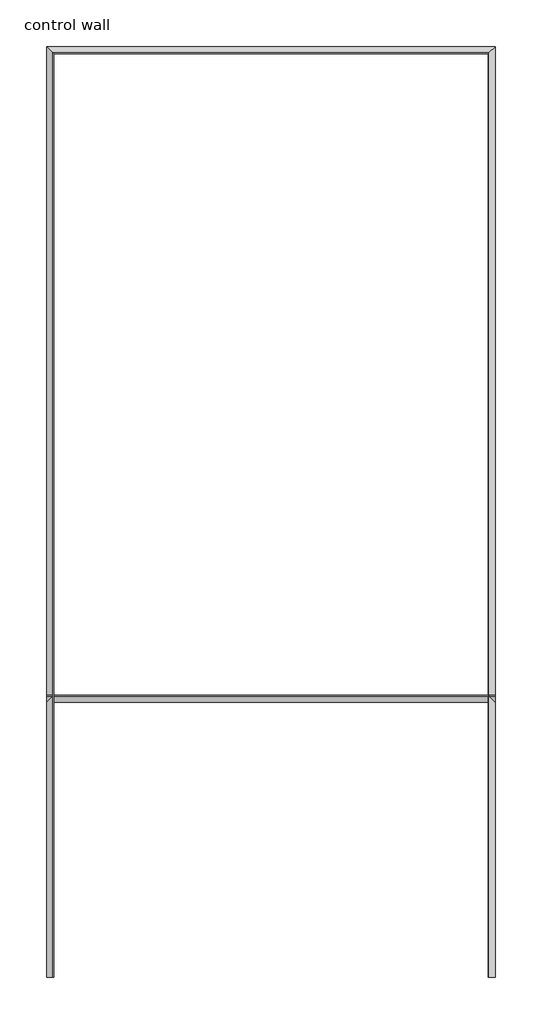
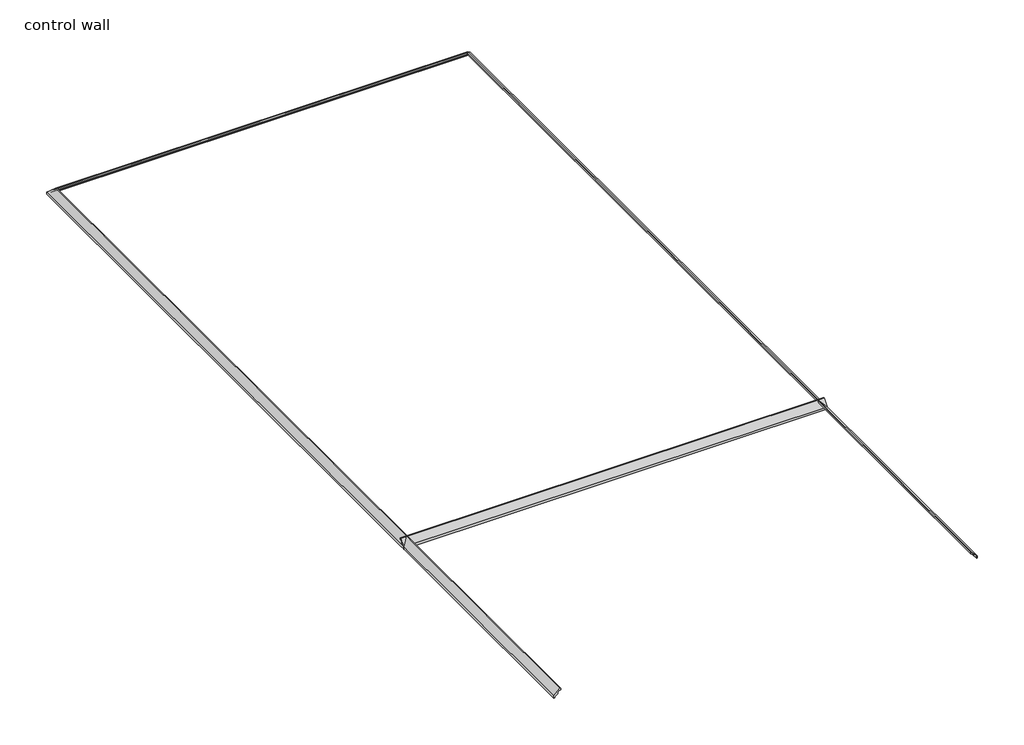
# One storey: 4 proxies.
"""IFC4 building model written with IfcOpenShell, lengths in millimetres."""

from ifc_helpers import new_model, si_unit, point, frame, frame_2d, origin, place, context, project, spatial, polyline, circle_curve, ellipse_curve, trimmed, segment, composite_curve, outline, extrude, element, save
from ifc_brep_helpers import plane_surface, cylinder_surface, revolved_surface, advanced_brep

model = new_model("IFC4")

# Units and contexts
model_context = context("Model", 3, world=origin())
ifc_project = project(units=[si_unit("LENGTHUNIT", "METRE", prefix="MILLI")], contexts=[model_context])

# Site, building, storey
site = spatial("IfcSite", under=ifc_project)
building = spatial("IfcBuilding", under=site)
storey = spatial("IfcBuildingStorey", under=building, Name="control wall", Elevation=2133.6)

# Proxies
placement = place(None, origin())
element("IfcBuildingElementProxy", 1, Name="Wall Sweeps", at=placement, inside=storey, context=model_context, shape_type="AdvancedBrep", body=[
    advanced_brep(
    [(18315.1984382, -8508.6502894, 2678.1793892), (18315.1984382, -8508.6502894, 2654.3), (18324.1786943, -8517.6305455, 2654.3), (18324.1786943, -8517.6305455, 2663.2802561), (18337.6490785, -8531.1009297, 2676.7506403), (18337.6490785, -8531.1009297, 2683.1006403), (18358.1737583, -8551.6256095, 2703.6253202), (18378.6984382, -8572.1502894, 2724.15), (18388.321747, -8581.7735982, 2724.15), (18388.321747, -8581.7735982, 2743.2), (18380.219049, -8573.6709002, 2743.2), (22988.7984382, -8508.6502894, 2678.1793892), (22923.7778274, -8573.6709002, 2743.2), (22915.6751294, -8581.7735982, 2743.2), (22915.6751294, -8581.7735982, 2724.15), (22925.2984382, -8572.1502894, 2724.15), (22945.823118, -8551.6256095, 2703.6253202), (22966.3477979, -8531.1009297, 2683.1006403), (22966.3477979, -8531.1009297, 2676.7506403), (22979.8181821, -8517.6305455, 2663.2802561), (22979.8181821, -8517.6305455, 2654.3), (22988.7984382, -8508.6502894, 2654.3)],
    [
        (0, 1),
        (1, 2),
        (2, 3),
        (3, 4, ellipse_curve(frame((18337.6490785, -8531.1009297, 2663.2802561), z_axis=(0.7071067811865476, 0.7071067811865476, 0.0), x_axis=(0.7071067811865474, -0.7071067811865476, 0.0)), 19.05, 13.4703842)),
        (4, 5),
        (5, 6, ellipse_curve(frame((18337.6490785, -8531.1009297, 2703.6253202), z_axis=(-0.7071067811865476, -0.7071067811865476, 0.0), x_axis=(-0.7071067811865474, 0.7071067811865476, 0.0)), 29.0262806, 20.5246798)),
        (6, 7, ellipse_curve(frame((18378.6984382, -8572.1502894, 2703.6253202), z_axis=(0.7071067811865476, 0.7071067811865476, 0.0), x_axis=(0.7071067811865474, -0.7071067811865476, 0.0)), 29.0262806, 20.5246798)),
        (7, 8),
        (8, 9),
        (9, 10),
        (10, 0),
        (11, 12),
        (12, 13),
        (13, 14),
        (14, 15),
        (15, 16, ellipse_curve(frame((22925.2984382, -8572.1502894, 2703.6253202), z_axis=(-0.707106781186544, 0.7071067811865511, 0.0), x_axis=(0.7071067811865509, 0.7071067811865441, 0.0)), 29.0262806, 20.5246798)),
        (16, 17, ellipse_curve(frame((22966.3477979, -8531.1009297, 2703.6253202), z_axis=(0.707106781186544, -0.7071067811865511, 0.0), x_axis=(-0.7071067811865509, -0.7071067811865441, 0.0)), 29.0262806, 20.5246798)),
        (17, 18),
        (18, 19, ellipse_curve(frame((22966.3477979, -8531.1009297, 2663.2802561), z_axis=(-0.707106781186544, 0.7071067811865511, 0.0), x_axis=(0.7071067811865509, 0.7071067811865441, 0.0)), 19.05, 13.4703842)),
        (19, 20),
        (20, 21),
        (21, 11),
        (0, 11),
        (21, 1),
        (20, 2),
        (19, 3),
        (18, 4),
        (17, 5),
        (16, 6),
        (15, 7),
        (14, 8),
        (13, 9),
        (12, 10),
    ],
    [
        plane_surface(frame((18315.1984382, -8508.6502894, 2959.1), z_axis=(-0.7071067811865476, -0.7071067811865476, 0.0), x_axis=(0.7071067811865476, -0.7071067811865476, 0.0))),
        plane_surface(frame((22988.7984382, -8508.6502894, 2959.1), z_axis=(0.707106781186544, -0.7071067811865511, 0.0), x_axis=(-0.7071067811865511, -0.707106781186544, 0.0))),
        plane_surface(frame((18315.1984382, -8508.6502894, 2678.1793892), z_axis=(0.0, 1.0, 0.0), x_axis=(1.0, 0.0, 0.0))),
        plane_surface(frame((18315.1984382, -8508.6502894, 2654.3), z_axis=(0.0, 0.0, -1.0), x_axis=(1.0, 0.0, 0.0))),
        plane_surface(frame((18324.1786943, -8517.6305455, 2654.3), z_axis=(0.0, -1.0, 0.0), x_axis=(1.0, 0.0, 0.0))),
        revolved_surface(polyline([(22979.8181821, -8544.5713139, 2663.2802561), (18324.1786943, -8544.5713139, 2663.2802561)]), (18315.1984382, -8531.1009297, 2663.2802561), (1.0, 0.0, 0.0)),
        plane_surface(frame((18337.6490785, -8531.1009297, 2676.7506403), z_axis=(0.0, -1.0, 0.0), x_axis=(1.0, 0.0, 0.0))),
        cylinder_surface(frame((18315.1984382, -8531.1009297, 2703.6253202), z_axis=(-1.0, 0.0, 0.0), x_axis=(0.0, -1.0, 0.0)), 20.5246798),
        revolved_surface(polyline([(22945.823118044882, -8592.674969200001, 2703.6253202), (18358.1737583, -8592.674969200001, 2703.6253202)]), (18315.1984382, -8572.1502894, 2703.6253202), (1.0, 0.0, 0.0)),
        plane_surface(frame((18378.6984382, -8572.1502894, 2724.15), z_axis=(0.0, 0.0, -1.0), x_axis=(1.0, 0.0, 0.0))),
        plane_surface(frame((18388.321747, -8581.7735982, 2724.15), z_axis=(0.0, -1.0, 0.0), x_axis=(1.0, 0.0, 0.0))),
        plane_surface(frame((18388.321747, -8581.7735982, 2743.2), z_axis=(0.0, 0.0, 1.0), x_axis=(1.0, 0.0, 0.0))),
        plane_surface(frame((18380.219049, -8573.6709002, 2743.2), z_axis=(0.0, 0.707106781186547, 0.707106781186548), x_axis=(1.0, 0.0, 0.0))),
    ],
    [
        (0, [[1, 2, 3, 4, 5, 6, 7, 8, 9, 10, 11]]),
        (1, [[12, 13, 14, 15, 16, 17, 18, 19, 20, 21, 22]]),
        (2, [[-1, 23, -22, 24]]),
        (3, [[-2, -24, -21, 25]]),
        (4, [[-3, -25, -20, 26]]),
        (5, [[-4, -26, -19, 27]]),
        (6, [[-5, -27, -18, 28]]),
        (7, [[-6, -28, -17, 29]]),
        (8, [[-7, -29, -16, 30]]),
        (9, [[-8, -30, -15, 31]]),
        (10, [[-9, -31, -14, 32]]),
        (11, [[-10, -32, -13, 33]]),
        (12, [[-11, -33, -12, -23]]),
    ],
),
])
element("IfcBuildingElementProxy", 2, Name="Wall Sweeps", at=placement, inside=storey, context=model_context, shape_type="AdvancedBrep", body=[
    advanced_brep(
    [(18315.1984382, -18208.2752894, 2678.1793892), (18315.1984382, -18208.2752894, 2654.3), (18324.1786943, -18208.2752894, 2654.3), (18324.1786943, -18208.2752894, 2663.2802561), (18337.6490785, -18208.2752894, 2676.7506403), (18337.6490785, -18208.2752894, 2683.1006403), (18358.1737583, -18208.2752894, 2703.6253202), (18378.6984382, -18208.2752894, 2724.15), (18388.321747, -18208.2752894, 2724.15), (18388.321747, -18208.2752894, 2743.2), (18380.219049, -18208.2752894, 2743.2), (18315.1984382, -8508.6502894, 2678.1793892), (18380.219049, -8573.6709002, 2743.2), (18388.321747, -8581.7735982, 2743.2), (18388.321747, -8581.7735982, 2724.15), (18378.6984382, -8572.1502894, 2724.15), (18358.1737583, -8551.6256095, 2703.6253202), (18337.6490785, -8531.1009297, 2683.1006403), (18337.6490785, -8531.1009297, 2676.7506403), (18324.1786943, -8517.6305455, 2663.2802561), (18324.1786943, -8517.6305455, 2654.3), (18315.1984382, -8508.6502894, 2654.3)],
    [
        (0, 1),
        (1, 2),
        (2, 3),
        (3, 4, circle_curve(frame((18337.6490785, -18208.2752894, 2663.2802561), z_axis=(0.0, 1.0, 0.0), x_axis=(1.0, 0.0, 0.0)), 13.4703842)),
        (4, 5),
        (5, 6, circle_curve(frame((18337.6490785, -18208.2752894, 2703.6253202), z_axis=(0.0, -1.0, 0.0), x_axis=(1.0, 0.0, 0.0)), 20.5246798)),
        (6, 7, circle_curve(frame((18378.6984382, -18208.2752894, 2703.6253202), z_axis=(0.0, 1.0, 0.0), x_axis=(1.0, 0.0, 0.0)), 20.5246798)),
        (7, 8),
        (8, 9),
        (9, 10),
        (10, 0),
        (11, 12),
        (12, 13),
        (13, 14),
        (14, 15),
        (15, 16, ellipse_curve(frame((18378.6984382, -8572.1502894, 2703.6253202), z_axis=(-0.7071067811865476, -0.7071067811865476, 0.0), x_axis=(-0.7071067811865476, 0.7071067811865474, 0.0)), 29.0262806, 20.5246798)),
        (16, 17, ellipse_curve(frame((18337.6490785, -8531.1009297, 2703.6253202), z_axis=(0.7071067811865476, 0.7071067811865476, 0.0), x_axis=(0.7071067811865476, -0.7071067811865474, 0.0)), 29.0262806, 20.5246798)),
        (17, 18),
        (18, 19, ellipse_curve(frame((18337.6490785, -8531.1009297, 2663.2802561), z_axis=(-0.7071067811865476, -0.7071067811865476, 0.0), x_axis=(-0.7071067811865476, 0.7071067811865474, 0.0)), 19.05, 13.4703842)),
        (19, 20),
        (20, 21),
        (21, 11),
        (0, 11),
        (21, 1),
        (20, 2),
        (19, 3),
        (18, 4),
        (17, 5),
        (16, 6),
        (15, 7),
        (14, 8),
        (13, 9),
        (12, 10),
    ],
    [
        plane_surface(frame((18200.0888022, -18208.2752894, 2654.3), z_axis=(0.0, -1.0, 0.0), x_axis=(0.0, 0.0, 1.0))),
        plane_surface(frame((18315.1984382, -8508.6502894, 2959.1), z_axis=(0.7071067811865476, 0.7071067811865476, 0.0), x_axis=(0.7071067811865476, -0.7071067811865476, 0.0))),
        plane_surface(frame((18315.1984382, -18208.2752894, 2678.1793892), z_axis=(-1.0, 0.0, 0.0), x_axis=(0.0, 1.0, 0.0))),
        plane_surface(frame((18315.1984382, -18208.2752894, 2654.3), z_axis=(0.0, 0.0, -1.0), x_axis=(0.0, 1.0, 0.0))),
        plane_surface(frame((18324.1786943, -18208.2752894, 2654.3), z_axis=(1.0, 0.0, 0.0), x_axis=(0.0, 1.0, 0.0))),
        revolved_surface(polyline([(18351.1194627, -8517.6305455, 2663.2802561), (18351.1194627, -18208.2752894, 2663.2802561)]), (18337.6490785, -18208.2752894, 2663.2802561), (0.0, 1.0, 0.0)),
        plane_surface(frame((18337.6490785, -18208.2752894, 2676.7506403), z_axis=(1.0, 0.0, 0.0), x_axis=(0.0, 1.0, 0.0))),
        cylinder_surface(frame((18337.6490785, -18208.2752894, 2703.6253202), z_axis=(0.0, -1.0, 0.0), x_axis=(1.0, 0.0, 0.0)), 20.5246798),
        revolved_surface(polyline([(18399.223118, -8551.6256095, 2703.6253202), (18399.223118, -18208.2752894, 2703.6253202)]), (18378.6984382, -18208.2752894, 2703.6253202), (0.0, 1.0, 0.0)),
        plane_surface(frame((18378.6984382, -18208.2752894, 2724.15), z_axis=(0.0, 0.0, -1.0), x_axis=(0.0, 1.0, 0.0))),
        plane_surface(frame((18388.321747, -18208.2752894, 2724.15), z_axis=(1.0, 0.0, 0.0), x_axis=(0.0, 1.0, 0.0))),
        plane_surface(frame((18388.321747, -18208.2752894, 2743.2), z_axis=(0.0, 0.0, 1.0), x_axis=(0.0, 1.0, 0.0))),
        plane_surface(frame((18380.219049, -18208.2752894, 2743.2), z_axis=(-0.707106781186547, 0.0, 0.707106781186548), x_axis=(0.0, 1.0, 0.0))),
    ],
    [
        (0, [[1, 2, 3, 4, 5, 6, 7, 8, 9, 10, 11]]),
        (1, [[12, 13, 14, 15, 16, 17, 18, 19, 20, 21, 22]]),
        (2, [[-1, 23, -22, 24]]),
        (3, [[-2, -24, -21, 25]]),
        (4, [[-3, -25, -20, 26]]),
        (5, [[-4, -26, -19, 27]]),
        (6, [[-5, -27, -18, 28]]),
        (7, [[-6, -28, -17, 29]]),
        (8, [[-7, -29, -16, 30]]),
        (9, [[-8, -30, -15, 31]]),
        (10, [[-9, -31, -14, 32]]),
        (11, [[-10, -32, -13, 33]]),
        (12, [[-11, -33, -12, -23]]),
    ],
),
])
element("IfcBuildingElementProxy", 3, Name="Wall Sweeps", at=placement, inside=storey, context=model_context, shape_type="AdvancedBrep", body=[
    advanced_brep(
    [(22988.7984382, -8508.6502894, 2678.1793892), (22988.7984382, -8508.6502894, 2654.3), (22979.8181821, -8517.6305455, 2654.3), (22979.8181821, -8517.6305455, 2663.2802561), (22966.3477979, -8531.1009297, 2676.7506403), (22966.3477979, -8531.1009297, 2683.1006403), (22945.823118, -8551.6256095, 2703.6253202), (22925.2984382, -8572.1502894, 2724.15), (22915.6751294, -8581.7735982, 2724.15), (22915.6751294, -8581.7735982, 2743.2), (22923.7778274, -8573.6709002, 2743.2), (22988.7984382, -18208.2752894, 2678.1793892), (22923.7778274, -18208.2752894, 2743.2), (22915.6751294, -18208.2752894, 2743.2), (22915.6751294, -18208.2752894, 2724.15), (22925.2984382, -18208.2752894, 2724.15), (22945.823118, -18208.2752894, 2703.6253202), (22966.3477979, -18208.2752894, 2683.1006403), (22966.3477979, -18208.2752894, 2676.7506403), (22979.8181821, -18208.2752894, 2663.2802561), (22979.8181821, -18208.2752894, 2654.3), (22988.7984382, -18208.2752894, 2654.3)],
    [
        (0, 1),
        (1, 2),
        (2, 3),
        (3, 4, ellipse_curve(frame((22966.3477979, -8531.1009297, 2663.2802561), z_axis=(0.707106781186544, -0.7071067811865511, 0.0), x_axis=(-0.7071067811865511, -0.7071067811865438, 0.0)), 19.05, 13.4703842)),
        (4, 5),
        (5, 6, ellipse_curve(frame((22966.3477979, -8531.1009297, 2703.6253202), z_axis=(-0.707106781186544, 0.7071067811865511, 0.0), x_axis=(0.7071067811865511, 0.7071067811865438, 0.0)), 29.0262806, 20.5246798)),
        (6, 7, ellipse_curve(frame((22925.2984382, -8572.1502894, 2703.6253202), z_axis=(0.707106781186544, -0.7071067811865511, 0.0), x_axis=(-0.7071067811865511, -0.7071067811865438, 0.0)), 29.0262806, 20.5246798)),
        (7, 8),
        (8, 9),
        (9, 10),
        (10, 0),
        (11, 12),
        (12, 13),
        (13, 14),
        (14, 15),
        (15, 16, circle_curve(frame((22925.2984382, -18208.2752894, 2703.6253202), z_axis=(0.0, 1.0, 0.0), x_axis=(-1.0, 0.0, 0.0)), 20.5246798)),
        (16, 17, circle_curve(frame((22966.3477979, -18208.2752894, 2703.6253202), z_axis=(0.0, -1.0, 0.0), x_axis=(-1.0, 0.0, 0.0)), 20.5246798)),
        (17, 18),
        (18, 19, circle_curve(frame((22966.3477979, -18208.2752894, 2663.2802561), z_axis=(0.0, 1.0, 0.0), x_axis=(-1.0, 0.0, 0.0)), 13.4703842)),
        (19, 20),
        (20, 21),
        (21, 11),
        (0, 11),
        (21, 1),
        (20, 2),
        (19, 3),
        (18, 4),
        (17, 5),
        (16, 6),
        (15, 7),
        (14, 8),
        (13, 9),
        (12, 10),
    ],
    [
        plane_surface(frame((22988.7984382, -8508.6502894, 2959.1), z_axis=(-0.707106781186544, 0.7071067811865511, 0.0), x_axis=(-0.7071067811865511, -0.707106781186544, 0.0))),
        plane_surface(frame((22873.6888022, -18208.2752894, 2654.3), z_axis=(0.0, -1.0, 0.0), x_axis=(0.0, 0.0, -1.0))),
        plane_surface(frame((22988.7984382, -8508.6502894, 2678.1793892), z_axis=(1.0, 0.0, 0.0), x_axis=(0.0, -1.0, 0.0))),
        plane_surface(frame((22988.7984382, -8508.6502894, 2654.3), z_axis=(0.0, 0.0, -1.0), x_axis=(0.0, -1.0, 0.0))),
        plane_surface(frame((22979.8181821, -8517.6305455, 2654.3), z_axis=(-1.0, 0.0, 0.0), x_axis=(0.0, -1.0, 0.0))),
        revolved_surface(polyline([(22952.8774137, -18208.2752894, 2663.2802561), (22952.8774137, -8517.6305455, 2663.2802561)]), (22966.3477979, -8508.6502894, 2663.2802561), (0.0, -1.0, 0.0)),
        plane_surface(frame((22966.3477979, -8531.1009297, 2676.7506403), z_axis=(-1.0, 0.0, 0.0), x_axis=(0.0, -1.0, 0.0))),
        cylinder_surface(frame((22966.3477979, -8508.6502894, 2703.6253202), z_axis=(0.0, 1.0, 0.0), x_axis=(-1.0, 0.0, 0.0)), 20.5246798),
        revolved_surface(polyline([(22904.7737584, -18208.2752894, 2703.6253202), (22904.7737584, -8551.6256095, 2703.6253202)]), (22925.2984382, -8508.6502894, 2703.6253202), (0.0, -1.0, 0.0)),
        plane_surface(frame((22925.2984382, -8572.1502894, 2724.15), z_axis=(0.0, 0.0, -1.0), x_axis=(0.0, -1.0, 0.0))),
        plane_surface(frame((22915.6751294, -8581.7735982, 2724.15), z_axis=(-1.0, 0.0, 0.0), x_axis=(0.0, -1.0, 0.0))),
        plane_surface(frame((22915.6751294, -8581.7735982, 2743.2), z_axis=(0.0, 0.0, 1.0), x_axis=(0.0, -1.0, 0.0))),
        plane_surface(frame((22923.7778274, -8573.6709002, 2743.2), z_axis=(0.707106781186547, 0.0, 0.707106781186548), x_axis=(0.0, -1.0, 0.0))),
    ],
    [
        (0, [[1, 2, 3, 4, 5, 6, 7, 8, 9, 10, 11]]),
        (1, [[12, 13, 14, 15, 16, 17, 18, 19, 20, 21, 22]]),
        (2, [[-1, 23, -22, 24]]),
        (3, [[-2, -24, -21, 25]]),
        (4, [[-3, -25, -20, 26]]),
        (5, [[-4, -26, -19, 27]]),
        (6, [[-5, -27, -18, 28]]),
        (7, [[-6, -28, -17, 29]]),
        (8, [[-7, -29, -16, 30]]),
        (9, [[-8, -30, -15, 31]]),
        (10, [[-9, -31, -14, 32]]),
        (11, [[-10, -32, -13, 33]]),
        (12, [[-11, -33, -12, -23]]),
    ],
),
])
element("IfcBuildingElementProxy", 4, Name="Wall Sweeps", at=placement, inside=storey, context=model_context, shape_type="SweptSolid", body=[
    extrude(outline(composite_curve([segment(polyline([(-15341.2502894, 2678.1793892), (-15276.2296786, 2743.2), (-15268.1269806, 2743.2), (-15268.1269806, 2724.15), (-15277.7502894, 2724.15)]), True, "CONTINUOUS"), segment(trimmed(circle_curve(frame_2d((-15277.7502894, 2703.6253202)), 20.5246798), [point((-15277.7502894, 2724.15))], [point((-15298.2749692, 2703.6253202))], True, "CARTESIAN"), True, "CONTINUOUS"), segment(trimmed(circle_curve(frame_2d((-15318.7996491, 2703.6253202)), 20.5246798), [point((-15298.2749692, 2703.6253202))], [point((-15318.7996491, 2683.1006403))], False, "CARTESIAN"), True, "CONTINUOUS"), segment(polyline([(-15318.7996491, 2683.1006403), (-15318.7996491, 2676.7506403)]), True, "CONTINUOUS"), segment(trimmed(circle_curve(frame_2d((-15318.7996491, 2663.2802561)), 13.4703842), [point((-15318.7996491, 2676.7506403))], [point((-15332.2700333, 2663.2802561))], True, "CARTESIAN"), True, "CONTINUOUS"), segment(polyline([(-15332.2700333, 2663.2802561), (-15332.2700333, 2654.3), (-15341.2502894, 2654.3), (-15341.2502894, 2678.1793892)]), True, "CONTINUOUS")], self_intersect=False)), frame((18315.1984382, 0.0, 0.0), z_axis=(1.0, 0.0, 0.0), x_axis=(0.0, 1.0, 0.0)), (0.0, 0.0, 1.0), 4673.6),
])

save(model, "model.ifc")
